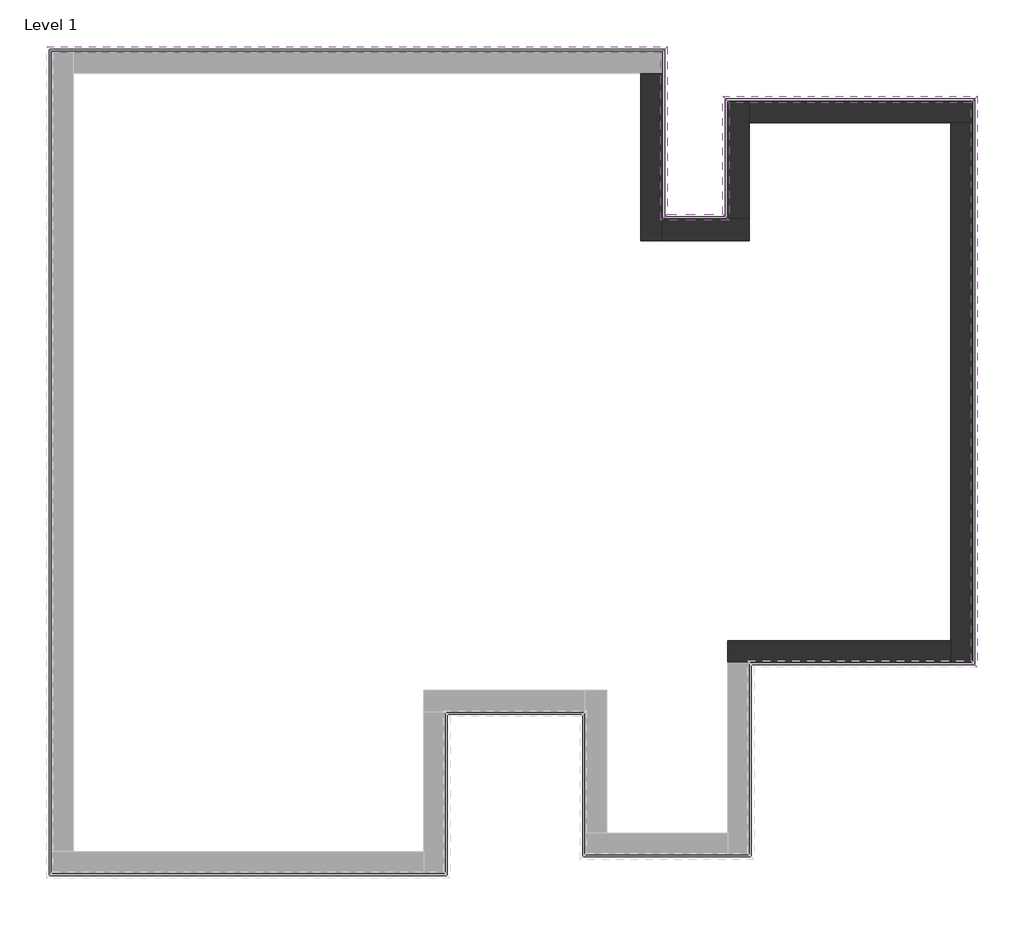
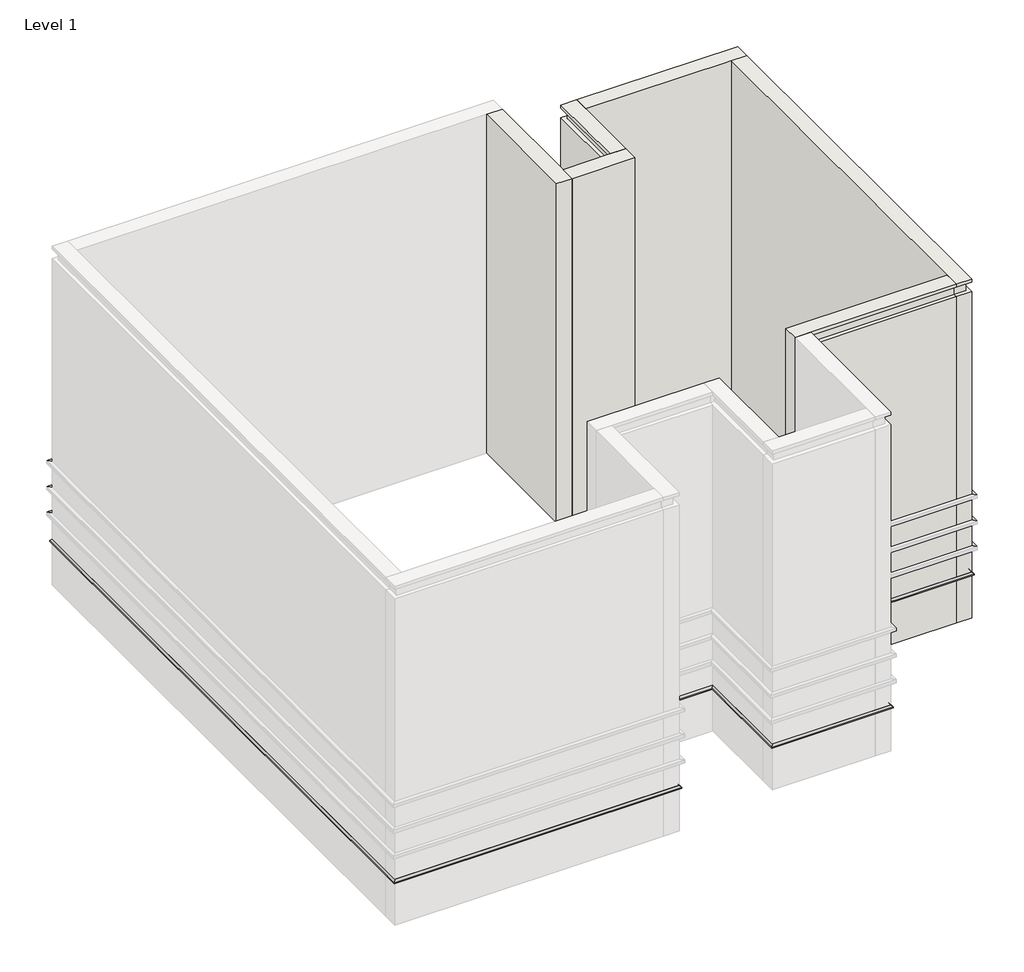
# One storey, part 2 of 2: 32 proxies, 6 walls.
"""IFC4 building model written with IfcOpenShell, lengths in millimetres."""

import ifcopenshell
import ifcopenshell.guid

model = None  # the IFC model being written
_history = None  # IfcOwnerHistory: only IFC2X3 demands one
_inside = {}  # id of a spatial element -> (the spatial element, [elements in it])
_under = {}  # id of a project, library or spatial element -> (it, [spatial elements below it])
_declared = {}  # id of a project -> (the project, [libraries it declares])
_typed = {}  # id of a type object -> (the type object, [elements of that type])
_made_of = {}  # id of a material, layer set ... -> (it, [elements and type objects made of it])


def new_model(schema):
    """Start an empty IFC model of exactly this schema.

    Asked for "IFC4X3", IfcOpenShell would pick the latest addendum, in which some entities
    have other attributes; the version numbers below select the first issue.
    IFC2X3 requires an IfcOwnerHistory on every rooted entity: one is made here for all.
    """
    global model, _history
    if schema == "IFC4X3":
        model = ifcopenshell.file(schema_version=(4, 3, 0, 0))
    else:
        model = ifcopenshell.file(schema=schema)
    _inside.clear()
    _under.clear()
    _declared.clear()
    _typed.clear()
    _made_of.clear()
    _history = None
    if model.schema == "IFC2X3":
        org = make("IfcOrganization", Name="unknown")
        user = make(
            "IfcPersonAndOrganization",
            ThePerson=make("IfcPerson", FamilyName="unknown"),
            TheOrganization=org,
        )
        app = make(
            "IfcApplication",
            ApplicationDeveloper=org,
            Version="unknown",
            ApplicationFullName="unknown",
            ApplicationIdentifier="unknown",
        )
        _history = make(
            "IfcOwnerHistory",
            OwningUser=user,
            OwningApplication=app,
            ChangeAction="ADDED",
            CreationDate=0,
        )
    return model


def make(cls, **values):
    """One entity of the class cls with the attributes given. An attribute that is None is left unset."""
    return model.create_entity(
        cls, **{name: value for name, value in values.items() if value is not None}
    )


def rooted(cls, **values):
    """An entity with a GlobalId (a new one), such as an element, a storey or a relation."""
    return make(cls, GlobalId=ifcopenshell.guid.new(), OwnerHistory=_history, **values)


def si_unit(unit_type, name, prefix=None):
    """IfcSIUnit, for example si_unit("LENGTHUNIT", "METRE", prefix="MILLI")."""
    return make("IfcSIUnit", UnitType=unit_type, Prefix=prefix, Name=name)


def assignment(units):
    """IfcUnitAssignment: the units of a project."""
    return None if units is None else make("IfcUnitAssignment", Units=units)


def point(xyz):
    """IfcCartesianPoint."""
    return None if xyz is None else make("IfcCartesianPoint", Coordinates=xyz)


def direction(xyz):
    """IfcDirection."""
    return None if xyz is None else make("IfcDirection", DirectionRatios=xyz)


def frame(location, z_axis=None, x_axis=None):
    """IfcAxis2Placement3D, a coordinate frame: its origin and axes. An axis left out is left unset."""
    return make(
        "IfcAxis2Placement3D",
        Location=point(location),
        Axis=direction(z_axis),
        RefDirection=direction(x_axis),
    )


def origin():
    """The frame at (0, 0, 0) with its axes left unset."""
    return frame((0.0, 0.0, 0.0))


def place(relative_to, where):
    """IfcLocalPlacement: puts the frame where relative to a parent placement (None: the world)."""
    return make(
        "IfcLocalPlacement", PlacementRelTo=relative_to, RelativePlacement=where
    )


def context(
    kind, dimensions, precision=None, world=None, true_north=None, identifier=None
):
    """IfcGeometricRepresentationContext, for example the 3D "Model" context."""
    return make(
        "IfcGeometricRepresentationContext",
        ContextIdentifier=identifier,
        ContextType=kind,
        CoordinateSpaceDimension=dimensions,
        Precision=precision,
        WorldCoordinateSystem=world,
        TrueNorth=true_north,
    )


def project(units=None, contexts=None):
    """IfcProject with its units and contexts."""
    return rooted(
        "IfcProject",
        Name="project",
        RepresentationContexts=contexts,
        UnitsInContext=assignment(units),
    )


def spatial(cls, under=None, at=None, **own):
    """A site, building, storey or space (cls), placed at a placement, below another one or the project."""
    s = rooted(cls, ObjectPlacement=at, **own)
    if under is not None:
        _under.setdefault(under.id(), (under, []))[1].append(s)
    return s


def polyline(points):
    """IfcPolyline through the points."""
    return make("IfcPolyline", Points=[point(p) for p in points])


def outline(outer, holes=None, kind="AREA"):
    """IfcArbitraryClosedProfileDef: a profile drawn as a closed curve; with holes, ...WithVoids."""
    if holes is None:
        return make("IfcArbitraryClosedProfileDef", ProfileType=kind, OuterCurve=outer)
    return make(
        "IfcArbitraryProfileDefWithVoids",
        ProfileType=kind,
        OuterCurve=outer,
        InnerCurves=holes,
    )


def extrude(swept, where, along, depth):
    """IfcExtrudedAreaSolid: the profile swept, set in the frame where, extruded along a direction by depth."""
    return make(
        "IfcExtrudedAreaSolid",
        SweptArea=swept,
        Position=where,
        ExtrudedDirection=direction(along),
        Depth=depth,
    )


def faces_of(points, faces, orient=None, outer=None):
    """IfcFace entities. A face is a list of loops; a loop is a list of indices into points, from 0.

    orient and outer hold one flag for each loop. By default every Orientation is true, the
    first loop of a face is its IfcFaceOuterBound and the others are IfcFaceBound.
    """
    made = []
    for i, loops in enumerate(faces):
        bounds = []
        for j, loop in enumerate(loops):
            is_outer = j == 0 if outer is None else outer[i][j]
            bounds.append(
                make(
                    "IfcFaceOuterBound" if is_outer else "IfcFaceBound",
                    Bound=make("IfcPolyLoop", Polygon=[points[k] for k in loop]),
                    Orientation=True if orient is None else orient[i][j],
                )
            )
        made.append(make("IfcFace", Bounds=bounds))
    return made


def faceted_brep(points, faces, orient=None, outer=None, voids=None):
    """IfcFacetedBrep: a solid bounded by flat faces; with voids (closed shells), ...WithVoids."""
    shared = [point(p) for p in points]
    hull = make("IfcClosedShell", CfsFaces=faces_of(shared, faces, orient, outer))
    if voids is None:
        return make("IfcFacetedBrep", Outer=hull)
    return make(
        "IfcFacetedBrepWithVoids",
        Outer=hull,
        Voids=[
            make(cls, CfsFaces=faces_of(shared, fs, o, b)) for cls, fs, o, b in voids
        ],
    )


def shape(context_of_items, identifier, shape_type, items):
    """IfcShapeRepresentation: the items that make up one representation, for example the "Body"."""
    return make(
        "IfcShapeRepresentation",
        ContextOfItems=context_of_items,
        RepresentationIdentifier=identifier,
        RepresentationType=shape_type,
        Items=items,
    )


def made_of(thing, what):
    """Note that an element or type object is made of a material, layer set ...; save() writes the relation."""
    if what is not None:
        _made_of.setdefault(what.id(), (what, []))[1].append(thing)
    return thing


def element(
    cls,
    number,
    at=None,
    inside=None,
    cuts=None,
    type_object=None,
    material=None,
    context=None,
    identifier="Body",
    shape_type=None,
    held_by="IfcProductDefinitionShape",
    body=None,
    shapes=None,
    **own,
):
    """One element of the class cls, such as IfcWall. Its Tag is "e" and its number.

    at: its placement. inside: the storey or other place that contains it. cuts: it is an
    opening in that element (IfcRelVoidsElement). A single representation is given by context,
    identifier, shape_type and body (its items); several are given by shapes. held_by: the class
    of the entity that holds the representations. save() writes the other relations.
    """
    e = rooted(cls, Tag="e%d" % number, ObjectPlacement=at, **own)
    if body is not None:
        shapes = [shape(context, identifier, shape_type, body)]
    if shapes is not None:
        e.Representation = make(held_by, Representations=shapes)
    if inside is not None:
        _inside.setdefault(inside.id(), (inside, []))[1].append(e)
    if cuts is not None:
        rooted(
            "IfcRelVoidsElement", RelatingBuildingElement=cuts, RelatedOpeningElement=e
        )
    if type_object is not None:
        _typed.setdefault(type_object.id(), (type_object, []))[1].append(e)
    return made_of(e, material)


def aggregate(whole, parts):
    """IfcRelAggregates: a whole, such as a stair, and the parts it consists of."""
    return rooted("IfcRelAggregates", RelatingObject=whole, RelatedObjects=parts)


def save(model, path):
    """Write the relations noted so far, then the file.

    IfcRelAggregates (storeys below a building ...), IfcRelContainedInSpatialStructure (elements
    in a storey), IfcRelDefinesByType, IfcRelAssociatesMaterial and IfcRelDeclares: one each for
    every whole, place, type object, material and project.
    """
    for whole, parts in _under.values():
        aggregate(whole, parts)
    for where, things in _inside.values():
        rooted(
            "IfcRelContainedInSpatialStructure",
            RelatedElements=things,
            RelatingStructure=where,
        )
    for kind, things in _typed.values():
        rooted("IfcRelDefinesByType", RelatedObjects=things, RelatingType=kind)
    for what, things in _made_of.values():
        rooted("IfcRelAssociatesMaterial", RelatedObjects=things, RelatingMaterial=what)
    for by, libraries in _declared.values():
        rooted("IfcRelDeclares", RelatingContext=by, RelatedDefinitions=libraries)
    model.write(path)


model = new_model("IFC4")

# Units and contexts
model_context = context("Model", 3, world=origin())
ifc_project = project(units=[si_unit("LENGTHUNIT", "METRE", prefix="MILLI")], contexts=[model_context])

# Site, building, storey
site = spatial("IfcSite", under=ifc_project)
building = spatial("IfcBuilding", under=site)
storey = spatial("IfcBuildingStorey", under=building, Name="Level 1", Elevation=0.0)

# Proxies
placement = place(None, origin())
element("IfcBuildingElementProxy", 1, Name="Reveals", at=placement, inside=storey, context=model_context, shape_type="SweptSolid", body=[
    extrude(outline(polyline([(-8040.5645365, 9677.4774509), (-8143.0645365, 9779.9774509), (1861.9354635, 9779.9774509), (1759.4354635, 9677.4774509), (-8040.5645365, 9677.4774509)])), frame((0.0, 0.0, 1625.0), z_axis=(0.0, 0.0, 1.0), x_axis=(1.0, 0.0, 0.0)), (0.0, 0.0, 1.0), 75.0),
])
element("IfcBuildingElementProxy", 2, Name="Reveals", at=placement, inside=storey, context=model_context, shape_type="SweptSolid", body=[
    extrude(outline(polyline([(-8040.5645365, 9677.4774509), (-8143.0645365, 9779.9774509), (1861.9354635, 9779.9774509), (1759.4354635, 9677.4774509), (-8040.5645365, 9677.4774509)])), frame((0.0, 0.0, 2235.0), z_axis=(0.0, 0.0, 1.0), x_axis=(1.0, 0.0, 0.0)), (0.0, 0.0, 1.0), 75.0),
])
element("IfcBuildingElementProxy", 3, Name="Reveals", at=placement, inside=storey, context=model_context, shape_type="SweptSolid", body=[
    extrude(outline(polyline([(-8040.5645365, 9677.4774509), (-8143.0645365, 9779.9774509), (1861.9354635, 9779.9774509), (1759.4354635, 9677.4774509), (-8040.5645365, 9677.4774509)])), frame((0.0, 0.0, 2845.0), z_axis=(0.0, 0.0, 1.0), x_axis=(1.0, 0.0, 0.0)), (0.0, 0.0, 1.0), 75.0),
])
element("IfcBuildingElementProxy", 4, Name="Wall Sweeps", at=placement, inside=storey, context=model_context, shape_type="Brep", body=[
    faceted_brep([(-7975.5645365, 9612.4774509, 1085.0), (-8065.5645365, 9702.4774509, 1085.0), (-8100.5645365, 9737.4774509, 1040.4), (-8100.5645365, 9737.4774509, 1015.0), (-7975.5645365, 9612.4774509, 1015.0), (1694.4354635, 9612.4774509, 1085.0), (1694.4354635, 9612.4774509, 1015.0), (1819.4354635, 9737.4774509, 1015.0), (1819.4354635, 9737.4774509, 1040.4), (1784.4354635, 9702.4774509, 1085.0), (-7715.5645365, 9612.4774509, 1085.0), (-7715.5645365, 9612.4774509, 1015.0)], [[[0, 1, 2, 3, 4]], [[5, 6, 7, 8, 9]], [[1, 0, 10, 5, 9]], [[2, 1, 9, 8]], [[3, 2, 8, 7]], [[4, 3, 7, 6, 11]], [[0, 4, 11, 6, 5, 10]]]),
])
element("IfcBuildingElementProxy", 5, Name="Reveals", at=placement, inside=storey, context=model_context, shape_type="SweptSolid", body=[
    extrude(outline(polyline([(1759.4354635, 9677.4774509), (1861.9354635, 9779.9774509), (1861.9354635, 7079.9774509), (1759.4354635, 6977.4774509), (1759.4354635, 9677.4774509)])), frame((0.0, 0.0, 1625.0), z_axis=(0.0, 0.0, 1.0), x_axis=(1.0, 0.0, 0.0)), (0.0, 0.0, 1.0), 75.0),
])
element("IfcBuildingElementProxy", 6, Name="Reveals", at=placement, inside=storey, context=model_context, shape_type="SweptSolid", body=[
    extrude(outline(polyline([(1759.4354635, 9677.4774509), (1861.9354635, 9779.9774509), (1861.9354635, 7079.9774509), (1759.4354635, 6977.4774509), (1759.4354635, 9677.4774509)])), frame((0.0, 0.0, 2235.0), z_axis=(0.0, 0.0, 1.0), x_axis=(1.0, 0.0, 0.0)), (0.0, 0.0, 1.0), 75.0),
])
element("IfcBuildingElementProxy", 7, Name="Reveals", at=placement, inside=storey, context=model_context, shape_type="SweptSolid", body=[
    extrude(outline(polyline([(1759.4354635, 9677.4774509), (1861.9354635, 9779.9774509), (1861.9354635, 7079.9774509), (1759.4354635, 6977.4774509), (1759.4354635, 9677.4774509)])), frame((0.0, 0.0, 2845.0), z_axis=(0.0, 0.0, 1.0), x_axis=(1.0, 0.0, 0.0)), (0.0, 0.0, 1.0), 75.0),
])
element("IfcBuildingElementProxy", 8, Name="Wall Sweeps", at=placement, inside=storey, context=model_context, shape_type="Brep", body=[
    faceted_brep([(1694.4354635, 9612.4774509, 1085.0), (1784.4354635, 9702.4774509, 1085.0), (1819.4354635, 9737.4774509, 1040.4), (1819.4354635, 9737.4774509, 1015.0), (1694.4354635, 9612.4774509, 1015.0), (1694.4354635, 6912.4774509, 1085.0), (1694.4354635, 6912.4774509, 1015.0), (1819.4354635, 7037.4774509, 1015.0), (1819.4354635, 7037.4774509, 1040.4), (1784.4354635, 7002.4774509, 1085.0), (1694.4354635, 9352.4774509, 1085.0), (1694.4354635, 9352.4774509, 1015.0)], [[[0, 1, 2, 3, 4]], [[5, 6, 7, 8, 9]], [[1, 0, 10, 5, 9]], [[2, 1, 9, 8]], [[3, 2, 8, 7]], [[4, 3, 7, 6, 11]], [[0, 4, 11, 6, 5, 10]]]),
])
element("IfcBuildingElementProxy", 9, Name="Reveals", at=placement, inside=storey, context=model_context, shape_type="SweptSolid", body=[
    extrude(outline(polyline([(1759.4354635, 6977.4774509), (1861.9354635, 7079.9774509), (2756.9354635, 7079.9774509), (2859.4354635, 6977.4774509), (1759.4354635, 6977.4774509)])), frame((0.0, 0.0, 1625.0), z_axis=(0.0, 0.0, 1.0), x_axis=(1.0, 0.0, 0.0)), (0.0, 0.0, 1.0), 75.0),
])
element("IfcBuildingElementProxy", 10, Name="Reveals", at=placement, inside=storey, context=model_context, shape_type="SweptSolid", body=[
    extrude(outline(polyline([(1759.4354635, 6977.4774509), (1861.9354635, 7079.9774509), (2756.9354635, 7079.9774509), (2859.4354635, 6977.4774509), (1759.4354635, 6977.4774509)])), frame((0.0, 0.0, 2235.0), z_axis=(0.0, 0.0, 1.0), x_axis=(1.0, 0.0, 0.0)), (0.0, 0.0, 1.0), 75.0),
])
element("IfcBuildingElementProxy", 11, Name="Reveals", at=placement, inside=storey, context=model_context, shape_type="SweptSolid", body=[
    extrude(outline(polyline([(1759.4354635, 6977.4774509), (1861.9354635, 7079.9774509), (2756.9354635, 7079.9774509), (2859.4354635, 6977.4774509), (1759.4354635, 6977.4774509)])), frame((0.0, 0.0, 2845.0), z_axis=(0.0, 0.0, 1.0), x_axis=(1.0, 0.0, 0.0)), (0.0, 0.0, 1.0), 75.0),
])
element("IfcBuildingElementProxy", 12, Name="Wall Sweeps", at=placement, inside=storey, context=model_context, shape_type="Brep", body=[
    faceted_brep([(1694.4354635, 6912.4774509, 1085.0), (1784.4354635, 7002.4774509, 1085.0), (1819.4354635, 7037.4774509, 1040.4), (1819.4354635, 7037.4774509, 1015.0), (1694.4354635, 6912.4774509, 1015.0), (2924.4354635, 6912.4774509, 1085.0), (2924.4354635, 6912.4774509, 1015.0), (2799.4354635, 7037.4774509, 1015.0), (2799.4354635, 7037.4774509, 1040.4), (2834.4354635, 7002.4774509, 1085.0), (1784.4354635, 6912.4774509, 1085.0), (1784.4354635, 6912.4774509, 1015.0)], [[[0, 1, 2, 3, 4]], [[5, 6, 7, 8, 9]], [[1, 0, 10, 5, 9]], [[2, 1, 9, 8]], [[3, 2, 8, 7]], [[4, 3, 7, 6, 11]], [[0, 4, 11, 6, 5, 10]]]),
])
element("IfcBuildingElementProxy", 13, Name="Reveals", at=placement, inside=storey, context=model_context, shape_type="SweptSolid", body=[
    extrude(outline(polyline([(2859.4354635, 6977.4774509), (2756.9354635, 7079.9774509), (2756.9354635, 8979.9774509), (2859.4354635, 8877.4774509), (2859.4354635, 6977.4774509)])), frame((0.0, 0.0, 1625.0), z_axis=(0.0, 0.0, 1.0), x_axis=(1.0, 0.0, 0.0)), (0.0, 0.0, 1.0), 75.0),
])
element("IfcBuildingElementProxy", 14, Name="Reveals", at=placement, inside=storey, context=model_context, shape_type="SweptSolid", body=[
    extrude(outline(polyline([(2859.4354635, 6977.4774509), (2756.9354635, 7079.9774509), (2756.9354635, 8979.9774509), (2859.4354635, 8877.4774509), (2859.4354635, 6977.4774509)])), frame((0.0, 0.0, 2235.0), z_axis=(0.0, 0.0, 1.0), x_axis=(1.0, 0.0, 0.0)), (0.0, 0.0, 1.0), 75.0),
])
element("IfcBuildingElementProxy", 15, Name="Reveals", at=placement, inside=storey, context=model_context, shape_type="SweptSolid", body=[
    extrude(outline(polyline([(2859.4354635, 6977.4774509), (2756.9354635, 7079.9774509), (2756.9354635, 8979.9774509), (2859.4354635, 8877.4774509), (2859.4354635, 6977.4774509)])), frame((0.0, 0.0, 2845.0), z_axis=(0.0, 0.0, 1.0), x_axis=(1.0, 0.0, 0.0)), (0.0, 0.0, 1.0), 75.0),
])
element("IfcBuildingElementProxy", 16, Name="Wall Sweeps", at=placement, inside=storey, context=model_context, shape_type="Brep", body=[
    faceted_brep([(2924.4354635, 6912.4774509, 1085.0), (2834.4354635, 7002.4774509, 1085.0), (2799.4354635, 7037.4774509, 1040.4), (2799.4354635, 7037.4774509, 1015.0), (2924.4354635, 6912.4774509, 1015.0), (2924.4354635, 8812.4774509, 1085.0), (2924.4354635, 8812.4774509, 1015.0), (2799.4354635, 8937.4774509, 1015.0), (2799.4354635, 8937.4774509, 1040.4), (2834.4354635, 8902.4774509, 1085.0), (2924.4354635, 7002.4774509, 1085.0), (2924.4354635, 7002.4774509, 1015.0)], [[[0, 1, 2, 3, 4]], [[5, 6, 7, 8, 9]], [[1, 0, 10, 5, 9]], [[2, 1, 9, 8]], [[3, 2, 8, 7]], [[4, 3, 7, 6, 11]], [[0, 4, 11, 6, 5, 10]]]),
])
element("IfcBuildingElementProxy", 17, Name="Reveals", at=placement, inside=storey, context=model_context, shape_type="SweptSolid", body=[
    extrude(outline(polyline([(2859.4354635, 8877.4774509), (2756.9354635, 8979.9774509), (6861.9354635, 8979.9774509), (6759.4354635, 8877.4774509), (2859.4354635, 8877.4774509)])), frame((0.0, 0.0, 1625.0), z_axis=(0.0, 0.0, 1.0), x_axis=(1.0, 0.0, 0.0)), (0.0, 0.0, 1.0), 75.0),
])
element("IfcBuildingElementProxy", 18, Name="Reveals", at=placement, inside=storey, context=model_context, shape_type="SweptSolid", body=[
    extrude(outline(polyline([(2859.4354635, 8877.4774509), (2756.9354635, 8979.9774509), (6861.9354635, 8979.9774509), (6759.4354635, 8877.4774509), (2859.4354635, 8877.4774509)])), frame((0.0, 0.0, 2235.0), z_axis=(0.0, 0.0, 1.0), x_axis=(1.0, 0.0, 0.0)), (0.0, 0.0, 1.0), 75.0),
])
element("IfcBuildingElementProxy", 19, Name="Reveals", at=placement, inside=storey, context=model_context, shape_type="SweptSolid", body=[
    extrude(outline(polyline([(2859.4354635, 8877.4774509), (2756.9354635, 8979.9774509), (6861.9354635, 8979.9774509), (6759.4354635, 8877.4774509), (2859.4354635, 8877.4774509)])), frame((0.0, 0.0, 2845.0), z_axis=(0.0, 0.0, 1.0), x_axis=(1.0, 0.0, 0.0)), (0.0, 0.0, 1.0), 75.0),
])
element("IfcBuildingElementProxy", 20, Name="Wall Sweeps", at=placement, inside=storey, context=model_context, shape_type="Brep", body=[
    faceted_brep([(2924.4354635, 8812.4774509, 1085.0), (2834.4354635, 8902.4774509, 1085.0), (2799.4354635, 8937.4774509, 1040.4), (2799.4354635, 8937.4774509, 1015.0), (2924.4354635, 8812.4774509, 1015.0), (6694.4354635, 8812.4774509, 1085.0), (6694.4354635, 8812.4774509, 1015.0), (6819.4354635, 8937.4774509, 1015.0), (6819.4354635, 8937.4774509, 1040.4), (6784.4354635, 8902.4774509, 1085.0), (3184.4354635, 8812.4774509, 1085.0), (3184.4354635, 8812.4774509, 1015.0)], [[[0, 1, 2, 3, 4]], [[5, 6, 7, 8, 9]], [[1, 0, 10, 5, 9]], [[2, 1, 9, 8]], [[3, 2, 8, 7]], [[4, 3, 7, 6, 11]], [[0, 4, 11, 6, 5, 10]]]),
])
element("IfcBuildingElementProxy", 21, Name="Reveals", at=placement, inside=storey, context=model_context, shape_type="SweptSolid", body=[
    extrude(outline(polyline([(6759.4354635, 8877.4774509), (6861.9354635, 8979.9774509), (6861.9354635, -225.0225491), (6759.4354635, -122.5225491), (6759.4354635, 8877.4774509)])), frame((0.0, 0.0, 1625.0), z_axis=(0.0, 0.0, 1.0), x_axis=(1.0, 0.0, 0.0)), (0.0, 0.0, 1.0), 75.0),
])
element("IfcBuildingElementProxy", 22, Name="Reveals", at=placement, inside=storey, context=model_context, shape_type="SweptSolid", body=[
    extrude(outline(polyline([(6759.4354635, 8877.4774509), (6861.9354635, 8979.9774509), (6861.9354635, -225.0225491), (6759.4354635, -122.5225491), (6759.4354635, 8877.4774509)])), frame((0.0, 0.0, 2235.0), z_axis=(0.0, 0.0, 1.0), x_axis=(1.0, 0.0, 0.0)), (0.0, 0.0, 1.0), 75.0),
])
element("IfcBuildingElementProxy", 23, Name="Reveals", at=placement, inside=storey, context=model_context, shape_type="SweptSolid", body=[
    extrude(outline(polyline([(6759.4354635, 8877.4774509), (6861.9354635, 8979.9774509), (6861.9354635, -225.0225491), (6759.4354635, -122.5225491), (6759.4354635, 8877.4774509)])), frame((0.0, 0.0, 2845.0), z_axis=(0.0, 0.0, 1.0), x_axis=(1.0, 0.0, 0.0)), (0.0, 0.0, 1.0), 75.0),
])
element("IfcBuildingElementProxy", 24, Name="Wall Sweeps", at=placement, inside=storey, context=model_context, shape_type="Brep", body=[
    faceted_brep([(6694.4354635, 8812.4774509, 1085.0), (6784.4354635, 8902.4774509, 1085.0), (6819.4354635, 8937.4774509, 1040.4), (6819.4354635, 8937.4774509, 1015.0), (6694.4354635, 8812.4774509, 1015.0), (6694.4354635, -57.5225491, 1085.0), (6694.4354635, -57.5225491, 1015.0), (6819.4354635, -182.5225491, 1015.0), (6819.4354635, -182.5225491, 1040.4), (6784.4354635, -147.5225491, 1085.0), (6694.4354635, 8552.4774509, 1085.0), (6694.4354635, 8552.4774509, 1015.0)], [[[0, 1, 2, 3, 4]], [[5, 6, 7, 8, 9]], [[1, 0, 10, 5, 9]], [[2, 1, 9, 8]], [[3, 2, 8, 7]], [[4, 3, 7, 6, 11]], [[0, 4, 11, 6, 5, 10]]]),
])
element("IfcBuildingElementProxy", 25, Name="Wall Sweeps", at=placement, inside=storey, context=model_context, shape_type="Brep", body=[
    faceted_brep([(6694.4354635, -57.5225491, 1085.0), (6784.4354635, -147.5225491, 1085.0), (6819.4354635, -182.5225491, 1040.4), (6819.4354635, -182.5225491, 1015.0), (6694.4354635, -57.5225491, 1015.0), (3094.4354635, -57.5225491, 1085.0), (3094.4354635, -57.5225491, 1015.0), (3219.4354635, -182.5225491, 1015.0), (3219.4354635, -182.5225491, 1040.4), (3184.4354635, -147.5225491, 1085.0), (6434.4354635, -57.5225491, 1085.0), (6434.4354635, -57.5225491, 1015.0)], [[[0, 1, 2, 3, 4]], [[5, 6, 7, 8, 9]], [[1, 0, 10, 5, 9]], [[2, 1, 9, 8]], [[3, 2, 8, 7]], [[4, 3, 7, 6, 11]], [[0, 4, 11, 6, 5, 10]]]),
])
element("IfcBuildingElementProxy", 26, Name="Wall Sweeps", at=placement, inside=storey, context=model_context, shape_type="Brep", body=[
    faceted_brep([(3094.4354635, -57.5225491, 1085.0), (3184.4354635, -147.5225491, 1085.0), (3219.4354635, -182.5225491, 1040.4), (3219.4354635, -182.5225491, 1015.0), (3094.4354635, -57.5225491, 1015.0), (3094.4354635, -3157.5225491, 1085.0), (3094.4354635, -3157.5225491, 1015.0), (3219.4354635, -3282.5225491, 1015.0), (3219.4354635, -3282.5225491, 1040.4), (3184.4354635, -3247.5225491, 1085.0), (3094.4354635, -147.5225491, 1085.0), (3094.4354635, -147.5225491, 1015.0)], [[[0, 1, 2, 3, 4]], [[5, 6, 7, 8, 9]], [[1, 0, 10, 5, 9]], [[2, 1, 9, 8]], [[3, 2, 8, 7]], [[4, 3, 7, 6, 11]], [[0, 4, 11, 6, 5, 10]]]),
])
element("IfcBuildingElementProxy", 27, Name="Wall Sweeps", at=placement, inside=storey, context=model_context, shape_type="Brep", body=[
    faceted_brep([(3094.4354635, -3157.5225491, 1085.0), (3184.4354635, -3247.5225491, 1085.0), (3219.4354635, -3282.5225491, 1040.4), (3219.4354635, -3282.5225491, 1015.0), (3094.4354635, -3157.5225491, 1015.0), (624.4354635, -3157.5225491, 1085.0), (624.4354635, -3157.5225491, 1015.0), (499.4354635, -3282.5225491, 1015.0), (499.4354635, -3282.5225491, 1040.4), (534.4354635, -3247.5225491, 1085.0), (2834.4354635, -3157.5225491, 1085.0), (2834.4354635, -3157.5225491, 1015.0)], [[[0, 1, 2, 3, 4]], [[5, 6, 7, 8, 9]], [[1, 0, 10, 5, 9]], [[2, 1, 9, 8]], [[3, 2, 8, 7]], [[4, 3, 7, 6, 11]], [[0, 4, 11, 6, 5, 10]]]),
])
element("IfcBuildingElementProxy", 28, Name="Wall Sweeps", at=placement, inside=storey, context=model_context, shape_type="Brep", body=[
    faceted_brep([(624.4354635, -3157.5225491, 1085.0), (534.4354635, -3247.5225491, 1085.0), (499.4354635, -3282.5225491, 1040.4), (499.4354635, -3282.5225491, 1015.0), (624.4354635, -3157.5225491, 1015.0), (624.4354635, -857.5225491, 1085.0), (624.4354635, -857.5225491, 1015.0), (499.4354635, -982.5225491, 1015.0), (499.4354635, -982.5225491, 1040.4), (534.4354635, -947.5225491, 1085.0), (624.4354635, -2897.5225491, 1085.0), (624.4354635, -2897.5225491, 1015.0)], [[[0, 1, 2, 3, 4]], [[5, 6, 7, 8, 9]], [[1, 0, 10, 5, 9]], [[2, 1, 9, 8]], [[3, 2, 8, 7]], [[4, 3, 7, 6, 11]], [[0, 4, 11, 6, 5, 10]]]),
])
element("IfcBuildingElementProxy", 29, Name="Wall Sweeps", at=placement, inside=storey, context=model_context, shape_type="Brep", body=[
    faceted_brep([(624.4354635, -857.5225491, 1085.0), (534.4354635, -947.5225491, 1085.0), (499.4354635, -982.5225491, 1040.4), (499.4354635, -982.5225491, 1015.0), (624.4354635, -857.5225491, 1015.0), (-1805.5645365, -857.5225491, 1085.0), (-1805.5645365, -857.5225491, 1015.0), (-1680.5645365, -982.5225491, 1015.0), (-1680.5645365, -982.5225491, 1040.4), (-1715.5645365, -947.5225491, 1085.0), (534.4354635, -857.5225491, 1085.0), (534.4354635, -857.5225491, 1015.0)], [[[0, 1, 2, 3, 4]], [[5, 6, 7, 8, 9]], [[1, 0, 10, 5, 9]], [[2, 1, 9, 8]], [[3, 2, 8, 7]], [[4, 3, 7, 6, 11]], [[0, 4, 11, 6, 5, 10]]]),
])
element("IfcBuildingElementProxy", 30, Name="Wall Sweeps", at=placement, inside=storey, context=model_context, shape_type="Brep", body=[
    faceted_brep([(-1805.5645365, -857.5225491, 1085.0), (-1715.5645365, -947.5225491, 1085.0), (-1680.5645365, -982.5225491, 1040.4), (-1680.5645365, -982.5225491, 1015.0), (-1805.5645365, -857.5225491, 1015.0), (-1805.5645365, -3457.5225491, 1085.0), (-1805.5645365, -3457.5225491, 1015.0), (-1680.5645365, -3582.5225491, 1015.0), (-1680.5645365, -3582.5225491, 1040.4), (-1715.5645365, -3547.5225491, 1085.0), (-1805.5645365, -947.5225491, 1085.0), (-1805.5645365, -947.5225491, 1015.0)], [[[0, 1, 2, 3, 4]], [[5, 6, 7, 8, 9]], [[1, 0, 10, 5, 9]], [[2, 1, 9, 8]], [[3, 2, 8, 7]], [[4, 3, 7, 6, 11]], [[0, 4, 11, 6, 5, 10]]]),
])
element("IfcBuildingElementProxy", 31, Name="Wall Sweeps", at=placement, inside=storey, context=model_context, shape_type="Brep", body=[
    faceted_brep([(-1805.5645365, -3457.5225491, 1085.0), (-1715.5645365, -3547.5225491, 1085.0), (-1680.5645365, -3582.5225491, 1040.4), (-1680.5645365, -3582.5225491, 1015.0), (-1805.5645365, -3457.5225491, 1015.0), (-7975.5645365, -3457.5225491, 1085.0), (-7975.5645365, -3457.5225491, 1015.0), (-8100.5645365, -3582.5225491, 1015.0), (-8100.5645365, -3582.5225491, 1040.4), (-8065.5645365, -3547.5225491, 1085.0), (-2065.5645365, -3457.5225491, 1085.0), (-2065.5645365, -3457.5225491, 1015.0)], [[[0, 1, 2, 3, 4]], [[5, 6, 7, 8, 9]], [[1, 0, 10, 5, 9]], [[2, 1, 9, 8]], [[3, 2, 8, 7]], [[4, 3, 7, 6, 11]], [[0, 4, 11, 6, 5, 10]]]),
])
element("IfcBuildingElementProxy", 32, Name="Wall Sweeps", at=placement, inside=storey, context=model_context, shape_type="Brep", body=[
    faceted_brep([(-7975.5645365, -3457.5225491, 1085.0), (-8065.5645365, -3547.5225491, 1085.0), (-8100.5645365, -3582.5225491, 1040.4), (-8100.5645365, -3582.5225491, 1015.0), (-7975.5645365, -3457.5225491, 1015.0), (-7975.5645365, 9612.4774509, 1085.0), (-7975.5645365, 9612.4774509, 1015.0), (-8100.5645365, 9737.4774509, 1015.0), (-8100.5645365, 9737.4774509, 1040.4), (-8065.5645365, 9702.4774509, 1085.0), (-7975.5645365, -3197.5225491, 1085.0), (-7975.5645365, -3197.5225491, 1015.0)], [[[0, 1, 2, 3, 4]], [[5, 6, 7, 8, 9]], [[1, 0, 10, 5, 9]], [[2, 1, 9, 8]], [[3, 2, 8, 7]], [[4, 3, 7, 6, 11]], [[0, 4, 11, 6, 5, 10]]]),
])

# Walls
element("IfcWall", 33, ObjectType="Exterior - Brick and Block on Mtl. Stud", at=placement, inside=storey, context=model_context, shape_type="Brep", body=[
    faceted_brep([(1434.4354635, 9352.4774509, 0.0), (1434.4354635, 6652.4774509, 0.0), (1434.4354635, 6652.4774509, 8000.0), (1434.4354635, 9352.4774509, 8000.0), (1784.4354635, 6652.4774509, 0.0), (1784.4354635, 7002.4774509, 0.0), (1784.4354635, 9352.4774509, 0.0), (1784.4354635, 9352.4774509, 1015.0), (1784.4354635, 7002.4774509, 1015.0), (1784.4354635, 6912.4774509, 1015.0), (1784.4354635, 6912.4774509, 1085.0), (1784.4354635, 7002.4774509, 1085.0), (1784.4354635, 9352.4774509, 1085.0), (1784.4354635, 9352.4774509, 1625.0), (1784.4354635, 7002.4774509, 1625.0), (1784.4354635, 6977.4774509, 1625.0), (1784.4354635, 6977.4774509, 1700.0), (1784.4354635, 7002.4774509, 1700.0), (1784.4354635, 9352.4774509, 1700.0), (1784.4354635, 9352.4774509, 2235.0), (1784.4354635, 7002.4774509, 2235.0), (1784.4354635, 6977.4774509, 2235.0), (1784.4354635, 6977.4774509, 2310.0), (1784.4354635, 7002.4774509, 2310.0), (1784.4354635, 9352.4774509, 2310.0), (1784.4354635, 9352.4774509, 2845.0), (1784.4354635, 7002.4774509, 2845.0), (1784.4354635, 6977.4774509, 2845.0), (1784.4354635, 6977.4774509, 2920.0), (1784.4354635, 7002.4774509, 2920.0), (1784.4354635, 9352.4774509, 2920.0), (1784.4354635, 9352.4774509, 7700.0), (1784.4354635, 7002.4774509, 7700.0), (1784.4354635, 6912.4774509, 7700.0), (1784.4354635, 6912.4774509, 7925.0), (1784.4354635, 7002.4774509, 7925.0), (1784.4354635, 9352.4774509, 7925.0), (1784.4354635, 9352.4774509, 8000.0), (1784.4354635, 7002.4774509, 8000.0), (1784.4354635, 6652.4774509, 8000.0), (1759.4354635, 6977.4774509, 1625.0), (1759.4354635, 9352.4774509, 1625.0), (1759.4354635, 9352.4774509, 1700.0), (1759.4354635, 6977.4774509, 1700.0), (1759.4354635, 6977.4774509, 2235.0), (1759.4354635, 9352.4774509, 2235.0), (1759.4354635, 9352.4774509, 2310.0), (1759.4354635, 6977.4774509, 2310.0), (1759.4354635, 6977.4774509, 2845.0), (1759.4354635, 9352.4774509, 2845.0), (1759.4354635, 9352.4774509, 2920.0), (1759.4354635, 6977.4774509, 2920.0), (1694.4354635, 6912.4774509, 1015.0), (1694.4354635, 9352.4774509, 1015.0), (1694.4354635, 9352.4774509, 1085.0), (1694.4354635, 6912.4774509, 1085.0), (1694.4354635, 6912.4774509, 7925.0), (1694.4354635, 6912.4774509, 7700.0), (1694.4354635, 9352.4774509, 7700.0), (1694.4354635, 9352.4774509, 7925.0)], [[[0, 1, 2, 3]], [[4, 5, 6, 7, 8, 9, 10, 11, 12, 13, 14, 15, 16, 17, 18, 19, 20, 21, 22, 23, 24, 25, 26, 27, 28, 29, 30, 31, 32, 33, 34, 35, 36, 37, 38, 39]], [[1, 0, 6, 5, 4]], [[3, 2, 39, 38, 37]], [[40, 41, 42, 43]], [[44, 45, 46, 47]], [[48, 49, 50, 51]], [[52, 53, 54, 55]], [[56, 57, 58, 59]], [[0, 3, 37, 36, 59, 58, 31, 30, 50, 49, 25, 24, 46, 45, 19, 18, 42, 41, 13, 12, 54, 53, 7, 6]], [[43, 42, 18, 17, 16]], [[41, 40, 15, 14, 13]], [[47, 46, 24, 23, 22]], [[45, 44, 21, 20, 19]], [[51, 50, 30, 29, 28]], [[49, 48, 27, 26, 25]], [[55, 54, 12, 11, 10]], [[53, 52, 9, 8, 7]], [[58, 57, 33, 32, 31]], [[34, 56, 59, 36, 35]], [[2, 1, 4, 39]], [[40, 43, 16, 15]], [[44, 47, 22, 21]], [[48, 51, 28, 27]], [[52, 55, 10, 9]], [[57, 56, 34, 33]]]),
])
element("IfcWall", 34, ObjectType="Exterior - Brick and Block on Mtl. Stud", at=placement, inside=storey, context=model_context, shape_type="Brep", body=[
    faceted_brep([(1784.4354635, 6652.4774509, 0.0), (3184.4354635, 6652.4774509, 0.0), (3184.4354635, 6652.4774509, 8000.0), (1784.4354635, 6652.4774509, 8000.0), (3184.4354635, 7002.4774509, 0.0), (2834.4354635, 7002.4774509, 0.0), (1784.4354635, 7002.4774509, 0.0), (1784.4354635, 7002.4774509, 1015.0), (2834.4354635, 7002.4774509, 1015.0), (2924.4354635, 7002.4774509, 1015.0), (2924.4354635, 7002.4774509, 1085.0), (2834.4354635, 7002.4774509, 1085.0), (1784.4354635, 7002.4774509, 1085.0), (1784.4354635, 7002.4774509, 1625.0), (2834.4354635, 7002.4774509, 1625.0), (2859.4354635, 7002.4774509, 1625.0), (2859.4354635, 7002.4774509, 1700.0), (2834.4354635, 7002.4774509, 1700.0), (1784.4354635, 7002.4774509, 1700.0), (1784.4354635, 7002.4774509, 2235.0), (2834.4354635, 7002.4774509, 2235.0), (2859.4354635, 7002.4774509, 2235.0), (2859.4354635, 7002.4774509, 2310.0), (2834.4354635, 7002.4774509, 2310.0), (1784.4354635, 7002.4774509, 2310.0), (1784.4354635, 7002.4774509, 2845.0), (2834.4354635, 7002.4774509, 2845.0), (2859.4354635, 7002.4774509, 2845.0), (2859.4354635, 7002.4774509, 2920.0), (2834.4354635, 7002.4774509, 2920.0), (1784.4354635, 7002.4774509, 2920.0), (1784.4354635, 7002.4774509, 7700.0), (2834.4354635, 7002.4774509, 7700.0), (2924.4354635, 7002.4774509, 7700.0), (2924.4354635, 7002.4774509, 7925.0), (2834.4354635, 7002.4774509, 7925.0), (1784.4354635, 7002.4774509, 7925.0), (1784.4354635, 7002.4774509, 8000.0), (2834.4354635, 7002.4774509, 8000.0), (3184.4354635, 7002.4774509, 8000.0), (2859.4354635, 6977.4774509, 1625.0), (1784.4354635, 6977.4774509, 1625.0), (1784.4354635, 6977.4774509, 1700.0), (2859.4354635, 6977.4774509, 1700.0), (2859.4354635, 6977.4774509, 2235.0), (1784.4354635, 6977.4774509, 2235.0), (1784.4354635, 6977.4774509, 2310.0), (2859.4354635, 6977.4774509, 2310.0), (2859.4354635, 6977.4774509, 2845.0), (1784.4354635, 6977.4774509, 2845.0), (1784.4354635, 6977.4774509, 2920.0), (2859.4354635, 6977.4774509, 2920.0), (2924.4354635, 6912.4774509, 1015.0), (1784.4354635, 6912.4774509, 1015.0), (1784.4354635, 6912.4774509, 1085.0), (2924.4354635, 6912.4774509, 1085.0), (2924.4354635, 6912.4774509, 7925.0), (2924.4354635, 6912.4774509, 7700.0), (1784.4354635, 6912.4774509, 7700.0), (1784.4354635, 6912.4774509, 7925.0)], [[[0, 1, 2, 3]], [[4, 5, 6, 7, 8, 9, 10, 11, 12, 13, 14, 15, 16, 17, 18, 19, 20, 21, 22, 23, 24, 25, 26, 27, 28, 29, 30, 31, 32, 33, 34, 35, 36, 37, 38, 39]], [[1, 0, 6, 5, 4]], [[3, 2, 39, 38, 37]], [[40, 41, 42, 43]], [[44, 45, 46, 47]], [[48, 49, 50, 51]], [[52, 53, 54, 55]], [[56, 57, 58, 59]], [[0, 3, 37, 36, 59, 58, 31, 30, 50, 49, 25, 24, 46, 45, 19, 18, 42, 41, 13, 12, 54, 53, 7, 6]], [[43, 42, 18, 17, 16]], [[41, 40, 15, 14, 13]], [[47, 46, 24, 23, 22]], [[45, 44, 21, 20, 19]], [[51, 50, 30, 29, 28]], [[49, 48, 27, 26, 25]], [[55, 54, 12, 11, 10]], [[53, 52, 9, 8, 7]], [[58, 57, 33, 32, 31]], [[34, 56, 59, 36, 35]], [[2, 1, 4, 39]], [[40, 43, 16, 15]], [[44, 47, 22, 21]], [[48, 51, 28, 27]], [[52, 55, 10, 9]], [[57, 56, 34, 33]]]),
])
element("IfcWall", 35, ObjectType="Exterior - Brick and Block on Mtl. Stud", at=placement, inside=storey, context=model_context, shape_type="Brep", body=[
    faceted_brep([(3184.4354635, 7002.4774509, 0.0), (3184.4354635, 8552.4774509, 0.0), (3184.4354635, 8902.4774509, 0.0), (3184.4354635, 8902.4774509, 1015.0), (3184.4354635, 8812.4774509, 1015.0), (3184.4354635, 8812.4774509, 1085.0), (3184.4354635, 8902.4774509, 1085.0), (3184.4354635, 8902.4774509, 1625.0), (3184.4354635, 8877.4774509, 1625.0), (3184.4354635, 8877.4774509, 1700.0), (3184.4354635, 8902.4774509, 1700.0), (3184.4354635, 8902.4774509, 2235.0), (3184.4354635, 8877.4774509, 2235.0), (3184.4354635, 8877.4774509, 2310.0), (3184.4354635, 8902.4774509, 2310.0), (3184.4354635, 8902.4774509, 2845.0), (3184.4354635, 8877.4774509, 2845.0), (3184.4354635, 8877.4774509, 2920.0), (3184.4354635, 8902.4774509, 2920.0), (3184.4354635, 8902.4774509, 7700.0), (3184.4354635, 8812.4774509, 7700.0), (3184.4354635, 8812.4774509, 7925.0), (3184.4354635, 8902.4774509, 7925.0), (3184.4354635, 8902.4774509, 8000.0), (3184.4354635, 8552.4774509, 8000.0), (3184.4354635, 7002.4774509, 8000.0), (2834.4354635, 8902.4774509, 0.0), (2834.4354635, 7002.4774509, 0.0), (2834.4354635, 7002.4774509, 1015.0), (2834.4354635, 8902.4774509, 1015.0), (2834.4354635, 7002.4774509, 8000.0), (2834.4354635, 8902.4774509, 8000.0), (2834.4354635, 8902.4774509, 7925.0), (2834.4354635, 7002.4774509, 7925.0), (2834.4354635, 8902.4774509, 1700.0), (2834.4354635, 7002.4774509, 1700.0), (2834.4354635, 7002.4774509, 2235.0), (2834.4354635, 8902.4774509, 2235.0), (2834.4354635, 7002.4774509, 1625.0), (2834.4354635, 8902.4774509, 1625.0), (2834.4354635, 8902.4774509, 1085.0), (2834.4354635, 7002.4774509, 1085.0), (2834.4354635, 8902.4774509, 2310.0), (2834.4354635, 7002.4774509, 2310.0), (2834.4354635, 7002.4774509, 2845.0), (2834.4354635, 8902.4774509, 2845.0), (2834.4354635, 8902.4774509, 2920.0), (2834.4354635, 7002.4774509, 2920.0), (2834.4354635, 7002.4774509, 7700.0), (2834.4354635, 8902.4774509, 7700.0), (2859.4354635, 8877.4774509, 1625.0), (2859.4354635, 7002.4774509, 1625.0), (2859.4354635, 7002.4774509, 1700.0), (2859.4354635, 8877.4774509, 1700.0), (2859.4354635, 8877.4774509, 2235.0), (2859.4354635, 7002.4774509, 2235.0), (2859.4354635, 7002.4774509, 2310.0), (2859.4354635, 8877.4774509, 2310.0), (2859.4354635, 8877.4774509, 2845.0), (2859.4354635, 7002.4774509, 2845.0), (2859.4354635, 7002.4774509, 2920.0), (2859.4354635, 8877.4774509, 2920.0), (2924.4354635, 8812.4774509, 1015.0), (2924.4354635, 7002.4774509, 1015.0), (2924.4354635, 7002.4774509, 1085.0), (2924.4354635, 8812.4774509, 1085.0), (2924.4354635, 8812.4774509, 7925.0), (2924.4354635, 8812.4774509, 7700.0), (2924.4354635, 7002.4774509, 7700.0), (2924.4354635, 7002.4774509, 7925.0)], [[[0, 1, 2, 3, 4, 5, 6, 7, 8, 9, 10, 11, 12, 13, 14, 15, 16, 17, 18, 19, 20, 21, 22, 23, 24, 25]], [[26, 27, 28, 29]], [[30, 31, 32, 33]], [[34, 35, 36, 37]], [[38, 39, 40, 41]], [[42, 43, 44, 45]], [[46, 47, 48, 49]], [[2, 1, 0, 27, 26]], [[25, 24, 23, 31, 30]], [[50, 51, 52, 53]], [[54, 55, 56, 57]], [[58, 59, 60, 61]], [[62, 63, 64, 65]], [[66, 67, 68, 69]], [[0, 25, 30, 33, 69, 68, 48, 47, 60, 59, 44, 43, 56, 55, 36, 35, 52, 51, 38, 41, 64, 63, 28, 27]], [[53, 52, 35, 34, 10, 9]], [[51, 50, 8, 7, 39, 38]], [[57, 56, 43, 42, 14, 13]], [[55, 54, 12, 11, 37, 36]], [[61, 60, 47, 46, 18, 17]], [[59, 58, 16, 15, 45, 44]], [[65, 64, 41, 40, 6, 5]], [[63, 62, 4, 3, 29, 28]], [[68, 67, 20, 19, 49, 48]], [[21, 66, 69, 33, 32, 22]], [[2, 26, 29, 3]], [[31, 23, 22, 32]], [[10, 34, 37, 11]], [[39, 7, 6, 40]], [[14, 42, 45, 15]], [[18, 46, 49, 19]], [[50, 53, 9, 8]], [[54, 57, 13, 12]], [[58, 61, 17, 16]], [[62, 65, 5, 4]], [[67, 66, 21, 20]]]),
])
element("IfcWall", 36, ObjectType="Exterior - Brick and Block on Mtl. Stud", at=placement, inside=storey, context=model_context, shape_type="Brep", body=[
    faceted_brep([(3184.4354635, 8552.4774509, 0.0), (6434.4354635, 8552.4774509, 0.0), (6784.4354635, 8552.4774509, 0.0), (6784.4354635, 8552.4774509, 1015.0), (6694.4354635, 8552.4774509, 1015.0), (6694.4354635, 8552.4774509, 1085.0), (6784.4354635, 8552.4774509, 1085.0), (6784.4354635, 8552.4774509, 1625.0), (6759.4354635, 8552.4774509, 1625.0), (6759.4354635, 8552.4774509, 1700.0), (6784.4354635, 8552.4774509, 1700.0), (6784.4354635, 8552.4774509, 2235.0), (6759.4354635, 8552.4774509, 2235.0), (6759.4354635, 8552.4774509, 2310.0), (6784.4354635, 8552.4774509, 2310.0), (6784.4354635, 8552.4774509, 2845.0), (6759.4354635, 8552.4774509, 2845.0), (6759.4354635, 8552.4774509, 2920.0), (6784.4354635, 8552.4774509, 2920.0), (6784.4354635, 8552.4774509, 7700.0), (6694.4354635, 8552.4774509, 7700.0), (6694.4354635, 8552.4774509, 7925.0), (6784.4354635, 8552.4774509, 7925.0), (6784.4354635, 8552.4774509, 8000.0), (6434.4354635, 8552.4774509, 8000.0), (3184.4354635, 8552.4774509, 8000.0), (6784.4354635, 8902.4774509, 0.0), (3184.4354635, 8902.4774509, 0.0), (3184.4354635, 8902.4774509, 1015.0), (6784.4354635, 8902.4774509, 1015.0), (3184.4354635, 8902.4774509, 8000.0), (6784.4354635, 8902.4774509, 8000.0), (6784.4354635, 8902.4774509, 7925.0), (3184.4354635, 8902.4774509, 7925.0), (6784.4354635, 8902.4774509, 1700.0), (3184.4354635, 8902.4774509, 1700.0), (3184.4354635, 8902.4774509, 2235.0), (6784.4354635, 8902.4774509, 2235.0), (3184.4354635, 8902.4774509, 1625.0), (6784.4354635, 8902.4774509, 1625.0), (6784.4354635, 8902.4774509, 1085.0), (3184.4354635, 8902.4774509, 1085.0), (6784.4354635, 8902.4774509, 2310.0), (3184.4354635, 8902.4774509, 2310.0), (3184.4354635, 8902.4774509, 2845.0), (6784.4354635, 8902.4774509, 2845.0), (6784.4354635, 8902.4774509, 2920.0), (3184.4354635, 8902.4774509, 2920.0), (3184.4354635, 8902.4774509, 7700.0), (6784.4354635, 8902.4774509, 7700.0), (6759.4354635, 8877.4774509, 1625.0), (3184.4354635, 8877.4774509, 1625.0), (3184.4354635, 8877.4774509, 1700.0), (6759.4354635, 8877.4774509, 1700.0), (6759.4354635, 8877.4774509, 2235.0), (3184.4354635, 8877.4774509, 2235.0), (3184.4354635, 8877.4774509, 2310.0), (6759.4354635, 8877.4774509, 2310.0), (6759.4354635, 8877.4774509, 2845.0), (3184.4354635, 8877.4774509, 2845.0), (3184.4354635, 8877.4774509, 2920.0), (6759.4354635, 8877.4774509, 2920.0), (6694.4354635, 8812.4774509, 1015.0), (3184.4354635, 8812.4774509, 1015.0), (3184.4354635, 8812.4774509, 1085.0), (6694.4354635, 8812.4774509, 1085.0), (6694.4354635, 8812.4774509, 7925.0), (6694.4354635, 8812.4774509, 7700.0), (3184.4354635, 8812.4774509, 7700.0), (3184.4354635, 8812.4774509, 7925.0)], [[[0, 1, 2, 3, 4, 5, 6, 7, 8, 9, 10, 11, 12, 13, 14, 15, 16, 17, 18, 19, 20, 21, 22, 23, 24, 25]], [[26, 27, 28, 29]], [[30, 31, 32, 33]], [[34, 35, 36, 37]], [[38, 39, 40, 41]], [[42, 43, 44, 45]], [[46, 47, 48, 49]], [[2, 1, 0, 27, 26]], [[25, 24, 23, 31, 30]], [[50, 51, 52, 53]], [[54, 55, 56, 57]], [[58, 59, 60, 61]], [[62, 63, 64, 65]], [[66, 67, 68, 69]], [[0, 25, 30, 33, 69, 68, 48, 47, 60, 59, 44, 43, 56, 55, 36, 35, 52, 51, 38, 41, 64, 63, 28, 27]], [[53, 52, 35, 34, 10, 9]], [[51, 50, 8, 7, 39, 38]], [[57, 56, 43, 42, 14, 13]], [[55, 54, 12, 11, 37, 36]], [[61, 60, 47, 46, 18, 17]], [[59, 58, 16, 15, 45, 44]], [[65, 64, 41, 40, 6, 5]], [[63, 62, 4, 3, 29, 28]], [[68, 67, 20, 19, 49, 48]], [[21, 66, 69, 33, 32, 22]], [[2, 26, 29, 3]], [[31, 23, 22, 32]], [[10, 34, 37, 11]], [[39, 7, 6, 40]], [[14, 42, 45, 15]], [[18, 46, 49, 19]], [[50, 53, 9, 8]], [[54, 57, 13, 12]], [[58, 61, 17, 16]], [[62, 65, 5, 4]], [[67, 66, 21, 20]]]),
])
element("IfcWall", 37, ObjectType="Exterior - Brick and Block on Mtl. Stud", at=placement, inside=storey, context=model_context, shape_type="Brep", body=[
    faceted_brep([(6434.4354635, 8552.4774509, 0.0), (6434.4354635, 202.4774509, 0.0), (6434.4354635, -147.5225491, 0.0), (6434.4354635, -147.5225491, 1015.0), (6434.4354635, -57.5225491, 1015.0), (6434.4354635, -57.5225491, 1085.0), (6434.4354635, -147.5225491, 1085.0), (6434.4354635, -147.5225491, 1625.0), (6434.4354635, -122.5225491, 1625.0), (6434.4354635, -122.5225491, 1700.0), (6434.4354635, -147.5225491, 1700.0), (6434.4354635, -147.5225491, 2235.0), (6434.4354635, -122.5225491, 2235.0), (6434.4354635, -122.5225491, 2310.0), (6434.4354635, -147.5225491, 2310.0), (6434.4354635, -147.5225491, 2845.0), (6434.4354635, -122.5225491, 2845.0), (6434.4354635, -122.5225491, 2920.0), (6434.4354635, -147.5225491, 2920.0), (6434.4354635, -147.5225491, 7700.0), (6434.4354635, -57.5225491, 7700.0), (6434.4354635, -57.5225491, 7925.0), (6434.4354635, -147.5225491, 7925.0), (6434.4354635, -147.5225491, 8000.0), (6434.4354635, 202.4774509, 8000.0), (6434.4354635, 8552.4774509, 8000.0), (6784.4354635, -147.5225491, 0.0), (6784.4354635, 8552.4774509, 0.0), (6784.4354635, 8552.4774509, 1015.0), (6784.4354635, -147.5225491, 1015.0), (6784.4354635, 8552.4774509, 8000.0), (6784.4354635, -147.5225491, 8000.0), (6784.4354635, -147.5225491, 7925.0), (6784.4354635, 8552.4774509, 7925.0), (6784.4354635, -147.5225491, 1700.0), (6784.4354635, 8552.4774509, 1700.0), (6784.4354635, 8552.4774509, 2235.0), (6784.4354635, -147.5225491, 2235.0), (6784.4354635, 8552.4774509, 1625.0), (6784.4354635, -147.5225491, 1625.0), (6784.4354635, -147.5225491, 1085.0), (6784.4354635, 8552.4774509, 1085.0), (6784.4354635, -147.5225491, 2310.0), (6784.4354635, 8552.4774509, 2310.0), (6784.4354635, 8552.4774509, 2845.0), (6784.4354635, -147.5225491, 2845.0), (6784.4354635, -147.5225491, 2920.0), (6784.4354635, 8552.4774509, 2920.0), (6784.4354635, 8552.4774509, 7700.0), (6784.4354635, -147.5225491, 7700.0), (6759.4354635, -122.5225491, 1625.0), (6759.4354635, 8552.4774509, 1625.0), (6759.4354635, 8552.4774509, 1700.0), (6759.4354635, -122.5225491, 1700.0), (6759.4354635, -122.5225491, 2235.0), (6759.4354635, 8552.4774509, 2235.0), (6759.4354635, 8552.4774509, 2310.0), (6759.4354635, -122.5225491, 2310.0), (6759.4354635, -122.5225491, 2845.0), (6759.4354635, 8552.4774509, 2845.0), (6759.4354635, 8552.4774509, 2920.0), (6759.4354635, -122.5225491, 2920.0), (6694.4354635, -57.5225491, 1015.0), (6694.4354635, 8552.4774509, 1015.0), (6694.4354635, 8552.4774509, 1085.0), (6694.4354635, -57.5225491, 1085.0), (6694.4354635, -57.5225491, 7925.0), (6694.4354635, -57.5225491, 7700.0), (6694.4354635, 8552.4774509, 7700.0), (6694.4354635, 8552.4774509, 7925.0)], [[[0, 1, 2, 3, 4, 5, 6, 7, 8, 9, 10, 11, 12, 13, 14, 15, 16, 17, 18, 19, 20, 21, 22, 23, 24, 25]], [[26, 27, 28, 29]], [[30, 31, 32, 33]], [[34, 35, 36, 37]], [[38, 39, 40, 41]], [[42, 43, 44, 45]], [[46, 47, 48, 49]], [[2, 1, 0, 27, 26]], [[25, 24, 23, 31, 30]], [[50, 51, 52, 53]], [[54, 55, 56, 57]], [[58, 59, 60, 61]], [[62, 63, 64, 65]], [[66, 67, 68, 69]], [[0, 25, 30, 33, 69, 68, 48, 47, 60, 59, 44, 43, 56, 55, 36, 35, 52, 51, 38, 41, 64, 63, 28, 27]], [[53, 52, 35, 34, 10, 9]], [[51, 50, 8, 7, 39, 38]], [[57, 56, 43, 42, 14, 13]], [[55, 54, 12, 11, 37, 36]], [[61, 60, 47, 46, 18, 17]], [[59, 58, 16, 15, 45, 44]], [[65, 64, 41, 40, 6, 5]], [[63, 62, 4, 3, 29, 28]], [[68, 67, 20, 19, 49, 48]], [[21, 66, 69, 33, 32, 22]], [[2, 26, 29, 3]], [[31, 23, 22, 32]], [[10, 34, 37, 11]], [[39, 7, 6, 40]], [[14, 42, 45, 15]], [[18, 46, 49, 19]], [[50, 53, 9, 8]], [[54, 57, 13, 12]], [[58, 61, 17, 16]], [[62, 65, 5, 4]], [[67, 66, 21, 20]]]),
])
element("IfcWall", 38, ObjectType="Exterior - Brick and Block on Mtl. Stud", at=placement, inside=storey, context=model_context, shape_type="Brep", body=[
    faceted_brep([(6434.4354635, 202.4774509, 0.0), (2834.4354635, 202.4774509, 0.0), (2834.4354635, 202.4774509, 8000.0), (6434.4354635, 202.4774509, 8000.0), (2834.4354635, -147.5225491, 0.0), (3184.4354635, -147.5225491, 0.0), (6434.4354635, -147.5225491, 0.0), (6434.4354635, -147.5225491, 1015.0), (3184.4354635, -147.5225491, 1015.0), (3094.4354635, -147.5225491, 1015.0), (3094.4354635, -147.5225491, 1085.0), (3184.4354635, -147.5225491, 1085.0), (6434.4354635, -147.5225491, 1085.0), (6434.4354635, -147.5225491, 1625.0), (3184.4354635, -147.5225491, 1625.0), (3159.4354635, -147.5225491, 1625.0), (3159.4354635, -147.5225491, 1700.0), (3184.4354635, -147.5225491, 1700.0), (6434.4354635, -147.5225491, 1700.0), (6434.4354635, -147.5225491, 2235.0), (3184.4354635, -147.5225491, 2235.0), (3159.4354635, -147.5225491, 2235.0), (3159.4354635, -147.5225491, 2310.0), (3184.4354635, -147.5225491, 2310.0), (6434.4354635, -147.5225491, 2310.0), (6434.4354635, -147.5225491, 2845.0), (3184.4354635, -147.5225491, 2845.0), (3159.4354635, -147.5225491, 2845.0), (3159.4354635, -147.5225491, 2920.0), (3184.4354635, -147.5225491, 2920.0), (6434.4354635, -147.5225491, 2920.0), (6434.4354635, -147.5225491, 7700.0), (3184.4354635, -147.5225491, 7700.0), (3094.4354635, -147.5225491, 7700.0), (3094.4354635, -147.5225491, 7925.0), (3184.4354635, -147.5225491, 7925.0), (6434.4354635, -147.5225491, 7925.0), (6434.4354635, -147.5225491, 8000.0), (3184.4354635, -147.5225491, 8000.0), (2834.4354635, -147.5225491, 8000.0), (3159.4354635, -122.5225491, 1625.0), (6434.4354635, -122.5225491, 1625.0), (6434.4354635, -122.5225491, 1700.0), (3159.4354635, -122.5225491, 1700.0), (3159.4354635, -122.5225491, 2235.0), (6434.4354635, -122.5225491, 2235.0), (6434.4354635, -122.5225491, 2310.0), (3159.4354635, -122.5225491, 2310.0), (3159.4354635, -122.5225491, 2845.0), (6434.4354635, -122.5225491, 2845.0), (6434.4354635, -122.5225491, 2920.0), (3159.4354635, -122.5225491, 2920.0), (3094.4354635, -57.5225491, 1015.0), (6434.4354635, -57.5225491, 1015.0), (6434.4354635, -57.5225491, 1085.0), (3094.4354635, -57.5225491, 1085.0), (3094.4354635, -57.5225491, 7925.0), (3094.4354635, -57.5225491, 7700.0), (6434.4354635, -57.5225491, 7700.0), (6434.4354635, -57.5225491, 7925.0)], [[[0, 1, 2, 3]], [[4, 5, 6, 7, 8, 9, 10, 11, 12, 13, 14, 15, 16, 17, 18, 19, 20, 21, 22, 23, 24, 25, 26, 27, 28, 29, 30, 31, 32, 33, 34, 35, 36, 37, 38, 39]], [[1, 0, 6, 5, 4]], [[3, 2, 39, 38, 37]], [[40, 41, 42, 43]], [[44, 45, 46, 47]], [[48, 49, 50, 51]], [[52, 53, 54, 55]], [[56, 57, 58, 59]], [[0, 3, 37, 36, 59, 58, 31, 30, 50, 49, 25, 24, 46, 45, 19, 18, 42, 41, 13, 12, 54, 53, 7, 6]], [[43, 42, 18, 17, 16]], [[41, 40, 15, 14, 13]], [[47, 46, 24, 23, 22]], [[45, 44, 21, 20, 19]], [[51, 50, 30, 29, 28]], [[49, 48, 27, 26, 25]], [[55, 54, 12, 11, 10]], [[53, 52, 9, 8, 7]], [[58, 57, 33, 32, 31]], [[34, 56, 59, 36, 35]], [[2, 1, 4, 39]], [[40, 43, 16, 15]], [[44, 47, 22, 21]], [[48, 51, 28, 27]], [[52, 55, 10, 9]], [[57, 56, 34, 33]]]),
])

save(model, "model.ifc")
